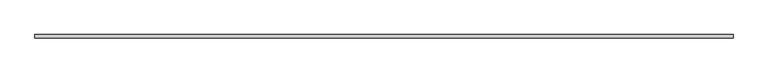
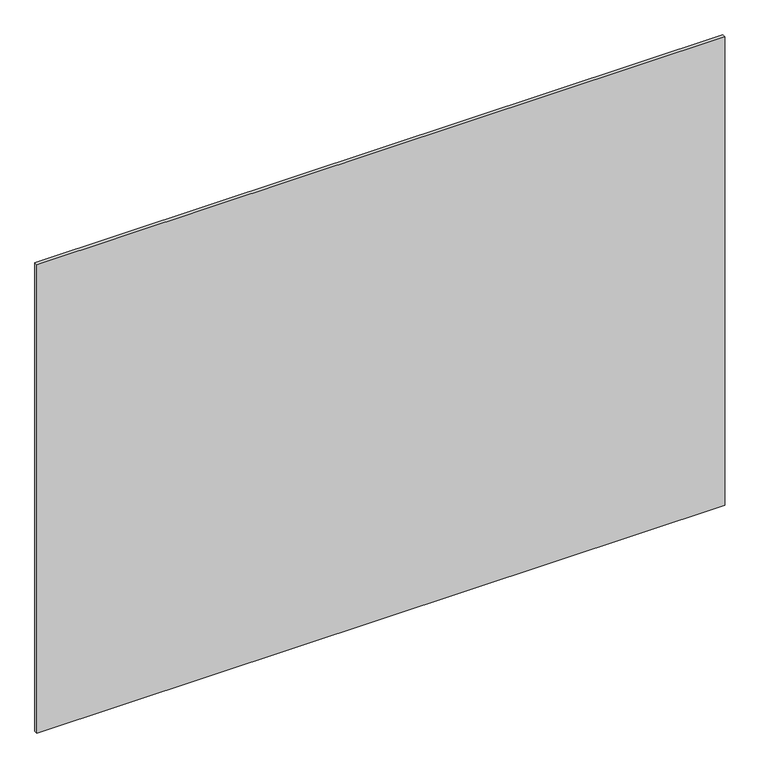
"""IFC4 building model written with IfcOpenShell, lengths in millimetres: plate geometry."""

from ifc_helpers import new_model, si_unit, origin, origin_with_axes, place, context, project, spatial, polyline, outline, extrude, source, transform, mapped, element, save


def plate_e6f09ff9(model_context):
    return source(origin(), model_context, "Body", "SweptSolid", [
        extrude(outline(polyline([(2500.0, 24.5), (-2500.0, 24.5), (-2500.0, 49.5), (2500.0, 49.5), (2500.0, 24.5)])), origin_with_axes(), (0.0, 0.0, 1.0), 3600.0),
    ])


if __name__ == "__main__":
    model = new_model("IFC4")
    model_context = context("Model", 3, world=origin())
    ifc_project = project(units=[si_unit("LENGTHUNIT", "METRE", prefix="MILLI")], contexts=[model_context])
    site = spatial("IfcSite", under=ifc_project)
    building = spatial("IfcBuilding", under=site)
    placement = place(None, origin())
    plate_shape = plate_e6f09ff9(model_context)
    element("IfcPlate", 1, at=placement, inside=building, context=model_context, shape_type="MappedRepresentation", body=[
        mapped(plate_shape, transform((0.0, 0.0, 0.0), x_axis=(1.0, 0.0, 0.0), y_axis=(0.0, 1.0, 0.0), z_axis=(0.0, 0.0, 1.0))),
    ])
    save(model, "model.ifc")
